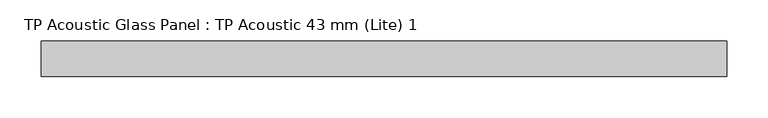
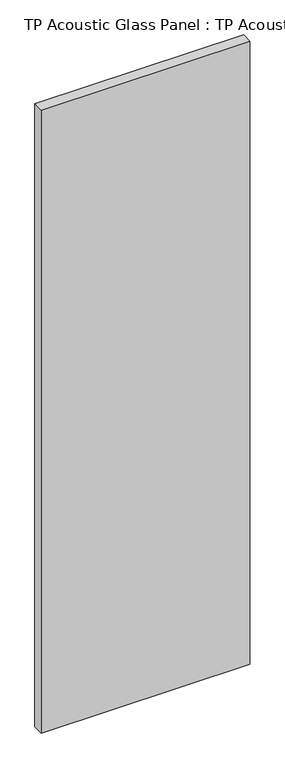
"""IFC4 building model written with IfcOpenShell, lengths in millimetres: plate geometry, TP Acoustic Glass Panel : TP Acoustic 43 mm (Lite) 1."""

from ifc_helpers import new_model, si_unit, origin, origin_with_axes, place, context, project, spatial, polyline, outline, extrude, source, transform, mapped, element, save


def tp_acoustic_glass_panel_tp_acoustic_43_mm_lite_1_8feb7088(model_context):
    return source(origin(), model_context, "Body", "SweptSolid", [
        extrude(outline(polyline([(416.1923319, -21.5), (-416.1923319, -21.5), (-416.1923319, 21.5), (416.1923319, 21.5), (416.1923319, -21.5)])), origin_with_axes(), (0.0, 0.0, 1.0), 2628.0),
    ])


if __name__ == "__main__":
    model = new_model("IFC4")
    model_context = context("Model", 3, world=origin())
    ifc_project = project(units=[si_unit("LENGTHUNIT", "METRE", prefix="MILLI")], contexts=[model_context])
    site = spatial("IfcSite", under=ifc_project)
    building = spatial("IfcBuilding", under=site)
    placement = place(None, origin())
    tp_acoustic_glass_panel_tp_acoustic_43_mm_lite_1_shape = tp_acoustic_glass_panel_tp_acoustic_43_mm_lite_1_8feb7088(model_context)
    element("IfcPlate", 1, ObjectType="TP Acoustic Glass Panel : TP Acoustic 43 mm (Lite) 1", at=placement, inside=building, context=model_context, shape_type="MappedRepresentation", body=[
        mapped(tp_acoustic_glass_panel_tp_acoustic_43_mm_lite_1_shape, transform((0.0, 0.0, 0.0), x_axis=(1.0, 0.0, 0.0), y_axis=(0.0, 1.0, 0.0), z_axis=(0.0, 0.0, 1.0))),
    ])
    save(model, "model.ifc")
